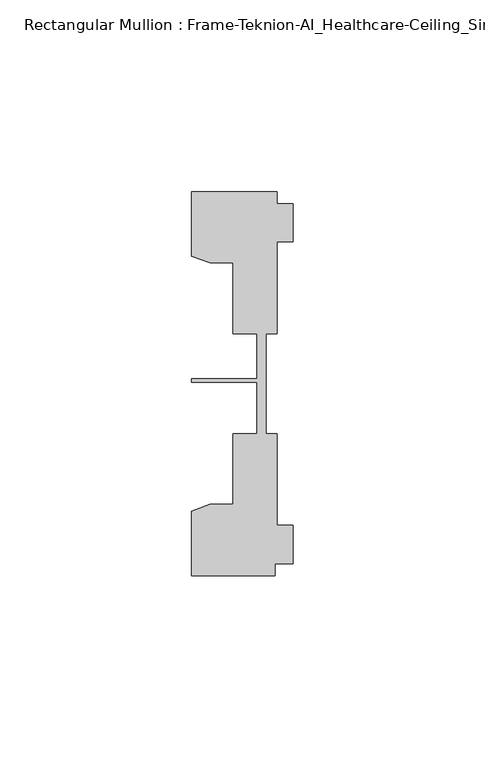
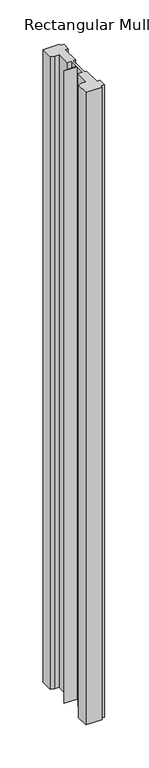
"""IFC4 building model written with IfcOpenShell, lengths in millimetres: member geometry, Rectangular Mullion : Frame-Teknion-AI_Healthcare-Ceiling_Single_Channel."""

from ifc_helpers import new_model, si_unit, frame, origin, place, context, project, spatial, polyline, outline, extrude, source, transform, mapped, element, save


def rectangular_mullion_frame_teknion_ai_healthcare_ceiling_a0f9d216(model_context):
    return source(origin(), model_context, "Body", "SweptSolid", [
        extrude(outline(polyline([(-26.4921999, -34.0201677), (-21.6625199, -32.2880982), (-15.6737764, -32.2880982), (-15.6737764, -13.9110722), (-9.4507761, -13.9110722), (-9.4507761, -0.4036528), (-26.4921999, -0.4036528), (-26.4921999, 0.4036528), (-9.4507761, 0.4036528), (-9.4507761, 12.2509301), (-15.6737764, 12.2509301), (-15.6737764, 30.6279561), (-21.6625199, 30.6279561), (-26.4921999, 32.3600207), (-26.4921999, 49.1699293), (-4.2672007, 49.1699293), (-4.2672007, 46.1219322), (0.0, 46.1219322), (0.0, 36.1219249), (-4.2672007, 36.1219249), (-4.2672007, 12.2509301), (-7.1647766, 12.2509301), (-7.1647766, -0.0814804), (-7.1647766, -13.9110722), (-4.2672007, -13.9110722), (-4.2672007, -37.7820716), (0.0, -37.7820716), (0.0, -47.782071), (-4.7752002, -47.782071), (-4.7752002, -50.8315128), (-26.4921999, -50.8315128), (-26.4921999, -34.0201677)])), frame((0.0, 0.0, -895.9017997), z_axis=(0.0, 0.0, 1.0), x_axis=(1.0, 0.0, 0.0)), (0.0, 0.0, 1.0), 895.9017997),
    ])


if __name__ == "__main__":
    model = new_model("IFC4")
    model_context = context("Model", 3, world=origin())
    ifc_project = project(units=[si_unit("LENGTHUNIT", "METRE", prefix="MILLI")], contexts=[model_context])
    site = spatial("IfcSite", under=ifc_project)
    building = spatial("IfcBuilding", under=site)
    placement = place(None, origin())
    rectangular_mullion_frame_teknion_ai_healthcare_ceiling_shape = rectangular_mullion_frame_teknion_ai_healthcare_ceiling_a0f9d216(model_context)
    element("IfcMember", 1, ObjectType="Rectangular Mullion : Frame-Teknion-AI_Healthcare-Ceiling_Single_Channel", at=placement, inside=building, context=model_context, shape_type="MappedRepresentation", body=[
        mapped(rectangular_mullion_frame_teknion_ai_healthcare_ceiling_shape, transform((0.0, 0.0, 0.0), x_axis=(1.0, 0.0, 0.0), y_axis=(0.0, 1.0, 0.0), z_axis=(0.0, 0.0, 1.0))),
    ])
    save(model, "model.ifc")
